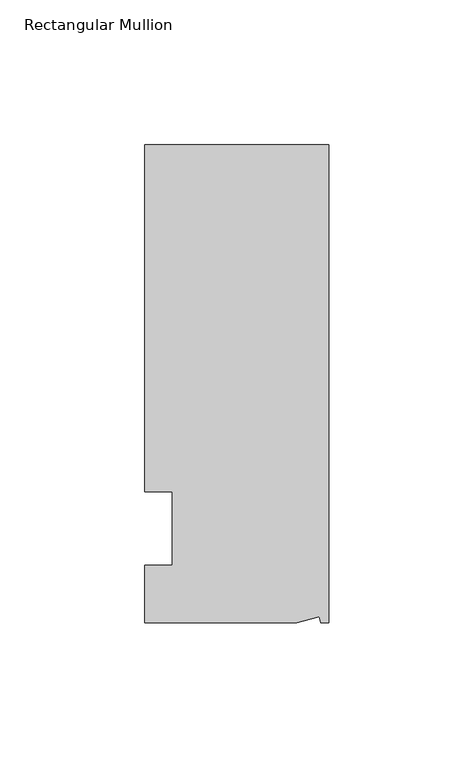
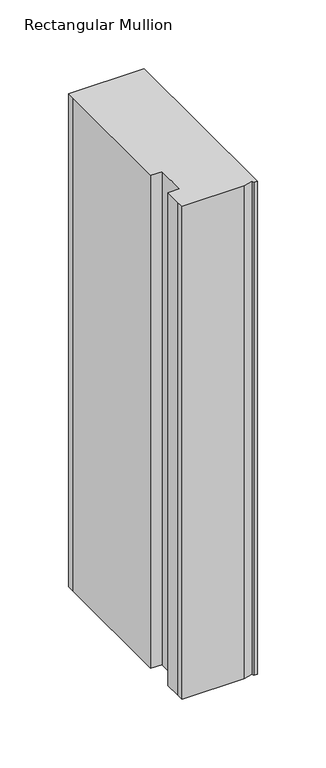
"""IFC4 building model written with IfcOpenShell, lengths in millimetres: member geometry, Rectangular Mullion."""

from ifc_helpers import new_model, si_unit, frame, origin, place, context, project, spatial, polyline, outline, extrude, source, transform, mapped, element, save


def rectangular_mullion_c7b28181(model_context):
    return source(origin(), model_context, "Body", "SweptSolid", [
        extrude(outline(polyline([(0.0, 132.5561012), (0.0, -32.5438988), (-2.7616541, -32.5438988), (-3.3341886, -30.4622958), (-11.121847, -32.5438988), (-63.5, -32.5438988), (-63.5, -26.1938988), (-63.5, -12.5945801), (-53.975, -12.5945801), (-53.975, 12.8054199), (-63.5, 12.8054199), (-63.5, 126.2061012), (-63.5, 132.5561012), (0.0, 132.5561012)])), frame((0.0, 0.0, -438.15), z_axis=(0.0, 0.0, 1.0), x_axis=(1.0, 0.0, 0.0)), (0.0, 0.0, 1.0), 438.15),
    ])


if __name__ == "__main__":
    model = new_model("IFC4")
    model_context = context("Model", 3, world=origin())
    ifc_project = project(units=[si_unit("LENGTHUNIT", "METRE", prefix="MILLI")], contexts=[model_context])
    site = spatial("IfcSite", under=ifc_project)
    building = spatial("IfcBuilding", under=site)
    placement = place(None, origin())
    rectangular_mullion_shape = rectangular_mullion_c7b28181(model_context)
    element("IfcMember", 1, ObjectType="Rectangular Mullion", at=placement, inside=building, context=model_context, shape_type="MappedRepresentation", body=[
        mapped(rectangular_mullion_shape, transform((0.0, 0.0, 0.0), x_axis=(1.0, 0.0, 0.0), y_axis=(0.0, 1.0, 0.0), z_axis=(0.0, 0.0, 1.0))),
    ])
    save(model, "model.ifc")
